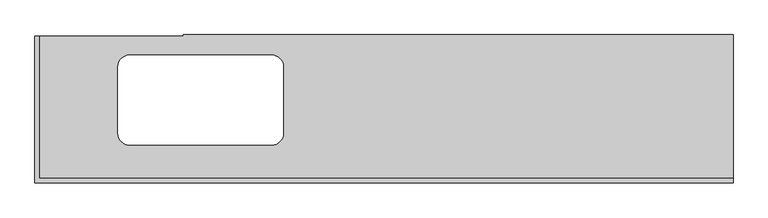
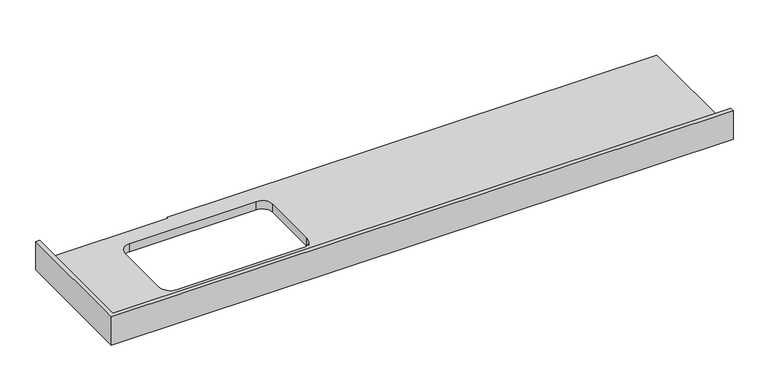
"""IFC4 building model written with IfcOpenShell, lengths in millimetres: furniture geometry."""

import ifcopenshell
import ifcopenshell.guid

model = None  # the IFC model being written
_history = None  # IfcOwnerHistory: only IFC2X3 demands one
_inside = {}  # id of a spatial element -> (the spatial element, [elements in it])
_under = {}  # id of a project, library or spatial element -> (it, [spatial elements below it])
_declared = {}  # id of a project -> (the project, [libraries it declares])
_typed = {}  # id of a type object -> (the type object, [elements of that type])
_made_of = {}  # id of a material, layer set ... -> (it, [elements and type objects made of it])


def new_model(schema):
    """Start an empty IFC model of exactly this schema.

    Asked for "IFC4X3", IfcOpenShell would pick the latest addendum, in which some entities
    have other attributes; the version numbers below select the first issue.
    IFC2X3 requires an IfcOwnerHistory on every rooted entity: one is made here for all.
    """
    global model, _history
    if schema == "IFC4X3":
        model = ifcopenshell.file(schema_version=(4, 3, 0, 0))
    else:
        model = ifcopenshell.file(schema=schema)
    _inside.clear()
    _under.clear()
    _declared.clear()
    _typed.clear()
    _made_of.clear()
    _history = None
    if model.schema == "IFC2X3":
        org = make("IfcOrganization", Name="unknown")
        user = make(
            "IfcPersonAndOrganization",
            ThePerson=make("IfcPerson", FamilyName="unknown"),
            TheOrganization=org,
        )
        app = make(
            "IfcApplication",
            ApplicationDeveloper=org,
            Version="unknown",
            ApplicationFullName="unknown",
            ApplicationIdentifier="unknown",
        )
        _history = make(
            "IfcOwnerHistory",
            OwningUser=user,
            OwningApplication=app,
            ChangeAction="ADDED",
            CreationDate=0,
        )
    return model


def make(cls, **values):
    """One entity of the class cls with the attributes given. An attribute that is None is left unset."""
    return model.create_entity(
        cls, **{name: value for name, value in values.items() if value is not None}
    )


def rooted(cls, **values):
    """An entity with a GlobalId (a new one), such as an element, a storey or a relation."""
    return make(cls, GlobalId=ifcopenshell.guid.new(), OwnerHistory=_history, **values)


def si_unit(unit_type, name, prefix=None):
    """IfcSIUnit, for example si_unit("LENGTHUNIT", "METRE", prefix="MILLI")."""
    return make("IfcSIUnit", UnitType=unit_type, Prefix=prefix, Name=name)


def assignment(units):
    """IfcUnitAssignment: the units of a project."""
    return None if units is None else make("IfcUnitAssignment", Units=units)


def point(xyz):
    """IfcCartesianPoint."""
    return None if xyz is None else make("IfcCartesianPoint", Coordinates=xyz)


def direction(xyz):
    """IfcDirection."""
    return None if xyz is None else make("IfcDirection", DirectionRatios=xyz)


def frame(location, z_axis=None, x_axis=None):
    """IfcAxis2Placement3D, a coordinate frame: its origin and axes. An axis left out is left unset."""
    return make(
        "IfcAxis2Placement3D",
        Location=point(location),
        Axis=direction(z_axis),
        RefDirection=direction(x_axis),
    )


def origin():
    """The frame at (0, 0, 0) with its axes left unset."""
    return frame((0.0, 0.0, 0.0))


def place(relative_to, where):
    """IfcLocalPlacement: puts the frame where relative to a parent placement (None: the world)."""
    return make(
        "IfcLocalPlacement", PlacementRelTo=relative_to, RelativePlacement=where
    )


def context(
    kind, dimensions, precision=None, world=None, true_north=None, identifier=None
):
    """IfcGeometricRepresentationContext, for example the 3D "Model" context."""
    return make(
        "IfcGeometricRepresentationContext",
        ContextIdentifier=identifier,
        ContextType=kind,
        CoordinateSpaceDimension=dimensions,
        Precision=precision,
        WorldCoordinateSystem=world,
        TrueNorth=true_north,
    )


def project(units=None, contexts=None):
    """IfcProject with its units and contexts."""
    return rooted(
        "IfcProject",
        Name="project",
        RepresentationContexts=contexts,
        UnitsInContext=assignment(units),
    )


def spatial(cls, under=None, at=None, **own):
    """A site, building, storey or space (cls), placed at a placement, below another one or the project."""
    s = rooted(cls, ObjectPlacement=at, **own)
    if under is not None:
        _under.setdefault(under.id(), (under, []))[1].append(s)
    return s


def polyline(points):
    """IfcPolyline through the points."""
    return make("IfcPolyline", Points=[point(p) for p in points])


def circle_curve(where, radius):
    """IfcCircle in the frame where."""
    return make("IfcCircle", Position=where, Radius=radius)


def shape(context_of_items, identifier, shape_type, items):
    """IfcShapeRepresentation: the items that make up one representation, for example the "Body"."""
    return make(
        "IfcShapeRepresentation",
        ContextOfItems=context_of_items,
        RepresentationIdentifier=identifier,
        RepresentationType=shape_type,
        Items=items,
    )


def source(mapping_origin, context_of_items, identifier, shape_type, items):
    """IfcRepresentationMap: a shape defined once, which mapped items show again and again."""
    return make(
        "IfcRepresentationMap",
        MappingOrigin=mapping_origin,
        MappedRepresentation=shape(context_of_items, identifier, shape_type, items),
    )


def transform(
    local_origin,
    x_axis=None,
    y_axis=None,
    z_axis=None,
    scale=None,
    scale2=None,
    scale3=None,
    uniform=True,
):
    """IfcCartesianTransformationOperator3D, or its non-uniform kind. x_axis, y_axis, z_axis: its Axis1, 2, 3."""
    if uniform:
        return make(
            "IfcCartesianTransformationOperator3D",
            Axis1=direction(x_axis),
            Axis2=direction(y_axis),
            LocalOrigin=point(local_origin),
            Scale=scale,
            Axis3=direction(z_axis),
        )
    return make(
        "IfcCartesianTransformationOperator3DnonUniform",
        Axis1=direction(x_axis),
        Axis2=direction(y_axis),
        LocalOrigin=point(local_origin),
        Scale=scale,
        Axis3=direction(z_axis),
        Scale2=scale2,
        Scale3=scale3,
    )


def mapped(mapping_source, mapping_target):
    """IfcMappedItem: shows the shape of a source again, moved by a transform."""
    return make(
        "IfcMappedItem", MappingSource=mapping_source, MappingTarget=mapping_target
    )


def made_of(thing, what):
    """Note that an element or type object is made of a material, layer set ...; save() writes the relation."""
    if what is not None:
        _made_of.setdefault(what.id(), (what, []))[1].append(thing)
    return thing


def element(
    cls,
    number,
    at=None,
    inside=None,
    cuts=None,
    type_object=None,
    material=None,
    context=None,
    identifier="Body",
    shape_type=None,
    held_by="IfcProductDefinitionShape",
    body=None,
    shapes=None,
    **own,
):
    """One element of the class cls, such as IfcWall. Its Tag is "e" and its number.

    at: its placement. inside: the storey or other place that contains it. cuts: it is an
    opening in that element (IfcRelVoidsElement). A single representation is given by context,
    identifier, shape_type and body (its items); several are given by shapes. held_by: the class
    of the entity that holds the representations. save() writes the other relations.
    """
    e = rooted(cls, Tag="e%d" % number, ObjectPlacement=at, **own)
    if body is not None:
        shapes = [shape(context, identifier, shape_type, body)]
    if shapes is not None:
        e.Representation = make(held_by, Representations=shapes)
    if inside is not None:
        _inside.setdefault(inside.id(), (inside, []))[1].append(e)
    if cuts is not None:
        rooted(
            "IfcRelVoidsElement", RelatingBuildingElement=cuts, RelatedOpeningElement=e
        )
    if type_object is not None:
        _typed.setdefault(type_object.id(), (type_object, []))[1].append(e)
    return made_of(e, material)


def aggregate(whole, parts):
    """IfcRelAggregates: a whole, such as a stair, and the parts it consists of."""
    return rooted("IfcRelAggregates", RelatingObject=whole, RelatedObjects=parts)


def save(model, path):
    """Write the relations noted so far, then the file.

    IfcRelAggregates (storeys below a building ...), IfcRelContainedInSpatialStructure (elements
    in a storey), IfcRelDefinesByType, IfcRelAssociatesMaterial and IfcRelDeclares: one each for
    every whole, place, type object, material and project.
    """
    for whole, parts in _under.values():
        aggregate(whole, parts)
    for where, things in _inside.values():
        rooted(
            "IfcRelContainedInSpatialStructure",
            RelatedElements=things,
            RelatingStructure=where,
        )
    for kind, things in _typed.values():
        rooted("IfcRelDefinesByType", RelatedObjects=things, RelatingType=kind)
    for what, things in _made_of.values():
        rooted("IfcRelAssociatesMaterial", RelatedObjects=things, RelatingMaterial=what)
    for by, libraries in _declared.values():
        rooted("IfcRelDeclares", RelatingContext=by, RelatedDefinitions=libraries)
    model.write(path)


def plane_surface(at):
    """IfcPlane: the flat surface through the origin of the frame at, square to its z axis."""
    return make("IfcPlane", Position=at)


def revolved_surface(curve, axis_point, axis_direction):
    """IfcSurfaceOfRevolution: the curve turned about the line through axis_point along axis_direction."""
    return make(
        "IfcSurfaceOfRevolution",
        SweptCurve=make("IfcArbitraryOpenProfileDef", ProfileType="CURVE", Curve=curve),
        AxisPosition=make("IfcAxis1Placement", Location=point(axis_point), Axis=direction(axis_direction)),
    )


def advanced_brep(points, edges, surfaces, faces):
    """IfcAdvancedBrep: a solid bounded by faces that lie on surfaces and meet in shared edges.

    An edge is (start, end): straight between two places in points (the first is 0);
    or (start, end, curve); or (start, end, curve, False) where it runs against its curve.
    A face is (place in surfaces, loops), or (place, loops, False) where it looks against
    its surface's normal. A loop lists edges by number (the first is 1), with a minus sign
    where the edge is run from its end to its start. The first loop is the outer one.
    """
    corners = [point(p) for p in points]
    vertices = [make("IfcVertexPoint", VertexGeometry=c) for c in corners]
    made = []
    for start, end, *more in edges:
        made.append(
            make(
                "IfcEdgeCurve",
                EdgeStart=vertices[start],
                EdgeEnd=vertices[end],
                EdgeGeometry=more[0] if more else make("IfcPolyline", Points=[corners[start], corners[end]]),
                SameSense=more[1] if len(more) > 1 else True,
            )
        )
    hull = []
    for where, loops, *sense in faces:
        bounds = []
        for j, loop in enumerate(loops):
            ring = [make("IfcOrientedEdge", EdgeElement=made[abs(k) - 1], Orientation=k > 0) for k in loop]
            bounds.append(
                make(
                    "IfcFaceOuterBound" if j == 0 else "IfcFaceBound",
                    Bound=make("IfcEdgeLoop", EdgeList=ring),
                    Orientation=True,
                )
            )
        hull.append(make("IfcAdvancedFace", Bounds=bounds, FaceSurface=surfaces[where], SameSense=sense[0] if sense else True))
    return make("IfcAdvancedBrep", Outer=make("IfcClosedShell", CfsFaces=hull))


def furniture_2ae2c3cb(model_context):
    return source(origin(), model_context, "Body", "AdvancedBrep", [
        advanced_brep(
        [(-575.4622951, 619.4179, 900.0), (-1181.4122951, 619.4179, 900.0), (-1181.4122951, 19.05, 900.0), (1737.5377049, 19.05, 900.0), (1737.5377049, 625.0, 900.0), (-575.4622951, 625.0, 900.0), (-204.7312201, 160.0, 900.0), (-801.4671633, 160.0, 900.0), (-851.4671633, 210.0, 900.0), (-851.4671633, 490.0, 900.0), (-801.4671633, 540.0, 900.0), (-204.7312201, 540.0, 900.0), (-154.7312201, 490.0, 900.0), (-154.7312201, 210.0, 900.0), (1737.5377049, 0.0, 860.0), (-1200.4622951, 0.0, 860.0), (-1200.4622951, 619.4179, 860.0), (-575.4622951, 619.4179, 860.0), (-575.4622951, 625.0, 860.0), (1737.5377049, 625.0, 860.0), (-204.7312201, 160.0, 860.0), (-154.7312201, 210.0, 860.0), (-154.7312201, 490.0, 860.0), (-204.7312201, 540.0, 860.0), (-801.4671633, 540.0, 860.0), (-851.4671633, 490.0, 860.0), (-851.4671633, 210.0, 860.0), (-801.4671633, 160.0, 860.0), (1737.5377049, 0.0, 1001.6), (-1200.4622951, 0.0, 1001.6), (-1200.4622951, 619.4179, 1001.6), (-1181.4122951, 619.4179, 1001.6), (1737.5377049, 19.05, 1001.6), (-1181.4122951, 19.05, 1001.6)],
        [
            (0, 1),
            (1, 2),
            (2, 3),
            (3, 4),
            (4, 5),
            (5, 0),
            (6, 7),
            (7, 8, circle_curve(frame((-801.4671633, 210.0, 900.0), z_axis=(0.0, 0.0, -1.0), x_axis=(1.0, 0.0, 0.0)), 50.0)),
            (8, 9),
            (9, 10, circle_curve(frame((-801.4671633, 490.0, 900.0), z_axis=(0.0, 0.0, -1.0), x_axis=(1.0, 0.0, 0.0)), 50.0)),
            (10, 11),
            (11, 12, circle_curve(frame((-204.7312201, 490.0, 900.0), z_axis=(0.0, 0.0, -1.0), x_axis=(1.0, 0.0, 0.0)), 50.0)),
            (12, 13),
            (13, 6, circle_curve(frame((-204.7312201, 210.0, 900.0), z_axis=(0.0, 0.0, -1.0), x_axis=(1.0, 0.0, 0.0)), 50.0)),
            (14, 15),
            (15, 16),
            (16, 17),
            (17, 18),
            (18, 19),
            (19, 14),
            (20, 21, circle_curve(frame((-204.7312201, 210.0, 860.0), z_axis=(0.0, 0.0, 1.0), x_axis=(1.0, 0.0, 0.0)), 50.0)),
            (21, 22),
            (22, 23, circle_curve(frame((-204.7312201, 490.0, 860.0), z_axis=(0.0, 0.0, 1.0), x_axis=(1.0, 0.0, 0.0)), 50.0)),
            (23, 24),
            (24, 25, circle_curve(frame((-801.4671633, 490.0, 860.0), z_axis=(0.0, 0.0, 1.0), x_axis=(1.0, 0.0, 0.0)), 50.0)),
            (25, 26),
            (26, 27, circle_curve(frame((-801.4671633, 210.0, 860.0), z_axis=(0.0, 0.0, 1.0), x_axis=(1.0, 0.0, 0.0)), 50.0)),
            (27, 20),
            (14, 28),
            (28, 29),
            (29, 15),
            (29, 30),
            (30, 16),
            (30, 31),
            (31, 1),
            (0, 17),
            (5, 18),
            (4, 19),
            (3, 32),
            (32, 28),
            (13, 21),
            (20, 6),
            (12, 22),
            (11, 23),
            (10, 24),
            (9, 25),
            (8, 26),
            (7, 27),
            (32, 33),
            (33, 31),
            (2, 33),
        ],
        [
            plane_surface(frame((-1200.4622951, 0.0, 900.0), z_axis=(0.0, 0.0, 1.0), x_axis=(-1.0, 0.0, 0.0))),
            plane_surface(frame((-1200.4622951, 0.0, 860.0), z_axis=(0.0, 0.0, -1.0), x_axis=(1.0, 0.0, 0.0))),
            plane_surface(frame((1737.5377049, 0.0, 900.0), z_axis=(0.0, -1.0, 0.0), x_axis=(0.0, 0.0, -1.0))),
            plane_surface(frame((-1200.4622951, 0.0, 900.0), z_axis=(-1.0, 0.0, 0.0), x_axis=(0.0, 0.0, -1.0))),
            plane_surface(frame((-1200.4622951, 619.4179, 900.0), z_axis=(0.0, 1.0, 0.0), x_axis=(0.0, 0.0, -1.0))),
            plane_surface(frame((-575.4622951, 619.4179, 900.0), z_axis=(-1.0, 0.0, 0.0), x_axis=(0.0, 0.0, -1.0))),
            plane_surface(frame((-575.4622951, 625.0, 900.0), z_axis=(0.0, 1.0, 0.0), x_axis=(0.0, 0.0, -1.0))),
            plane_surface(frame((1737.5377049, 625.0, 900.0), z_axis=(1.0, 0.0, 0.0), x_axis=(0.0, 0.0, -1.0))),
            revolved_surface(polyline([(-154.7312201, 210.0, 860.0), (-154.7312201, 210.0, 900.0)]), (-204.7312201, 210.0, 0.0), (0.0, 0.0, -1.0)),
            plane_surface(frame((-154.7312201, 210.0, 900.0), z_axis=(-1.0, 0.0, 0.0), x_axis=(0.0, 0.0, -1.0))),
            revolved_surface(polyline([(-154.7312201, 490.0, 860.0), (-154.7312201, 490.0, 900.0)]), (-204.7312201, 490.0, 0.0), (0.0, 0.0, -1.0)),
            plane_surface(frame((-204.7312201, 540.0, 900.0), z_axis=(0.0, -1.0, 0.0), x_axis=(0.0, 0.0, -1.0))),
            revolved_surface(polyline([(-751.4671633, 490.0, 860.0), (-751.4671633, 490.0, 900.0)]), (-801.4671633, 490.0, 0.0), (0.0, 0.0, -1.0)),
            plane_surface(frame((-851.4671633, 490.0, 900.0), z_axis=(1.0, 0.0, 0.0), x_axis=(0.0, 0.0, -1.0))),
            revolved_surface(polyline([(-751.4671633, 210.0, 860.0), (-751.4671633, 210.0, 900.0)]), (-801.4671633, 210.0, 0.0), (0.0, 0.0, -1.0)),
            plane_surface(frame((-801.4671633, 160.0, 900.0), z_axis=(0.0, 1.0, 0.0), x_axis=(0.0, 0.0, -1.0))),
            plane_surface(frame((-1200.4622951, 0.0, 1001.6), z_axis=(0.0, 0.0, 1.0), x_axis=(0.0, 1.0, 0.0))),
            plane_surface(frame((-1200.4622951, 19.05, 1001.6), z_axis=(0.0, 1.0, 0.0), x_axis=(0.0, 0.0, -1.0))),
            plane_surface(frame((-1181.4122951, 619.4179, 1001.6), z_axis=(1.0, 0.0, 0.0), x_axis=(0.0, 0.0, -1.0))),
        ],
        [
            (0, [[1, 2, 3, 4, 5, 6], [7, 8, 9, 10, 11, 12, 13, 14]]),
            (1, [[15, 16, 17, 18, 19, 20], [21, 22, 23, 24, 25, 26, 27, 28]]),
            (2, [[29, 30, 31, -15]]),
            (3, [[-31, 32, 33, -16]]),
            (4, [[34, 35, -1, 36, -17, -33]]),
            (5, [[37, -18, -36, -6]]),
            (6, [[38, -19, -37, -5]]),
            (7, [[-38, -4, 39, 40, -29, -20]]),
            (8, [[41, -21, 42, -14]]),
            (9, [[43, -22, -41, -13]]),
            (10, [[44, -23, -43, -12]]),
            (11, [[45, -24, -44, -11]]),
            (12, [[46, -25, -45, -10]]),
            (13, [[47, -26, -46, -9]]),
            (14, [[48, -27, -47, -8]]),
            (15, [[-42, -28, -48, -7]]),
            (16, [[-30, -40, 49, 50, -34, -32]]),
            (17, [[-3, 51, -49, -39]]),
            (18, [[-51, -2, -35, -50]]),
        ],
    ),
    ])


if __name__ == "__main__":
    model = new_model("IFC4")
    model_context = context("Model", 3, world=origin())
    ifc_project = project(units=[si_unit("LENGTHUNIT", "METRE", prefix="MILLI")], contexts=[model_context])
    site = spatial("IfcSite", under=ifc_project)
    building = spatial("IfcBuilding", under=site)
    placement = place(None, origin())
    furniture_shape = furniture_2ae2c3cb(model_context)
    element("IfcFurniture", 1, at=placement, inside=building, context=model_context, shape_type="MappedRepresentation", body=[
        mapped(furniture_shape, transform((0.0, 0.0, 0.0), x_axis=(1.0, 0.0, 0.0), y_axis=(0.0, 1.0, 0.0), z_axis=(0.0, 0.0, 1.0))),
    ])
    save(model, "model.ifc")
